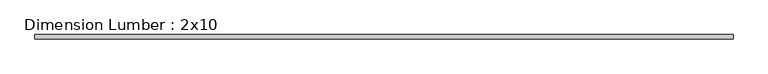
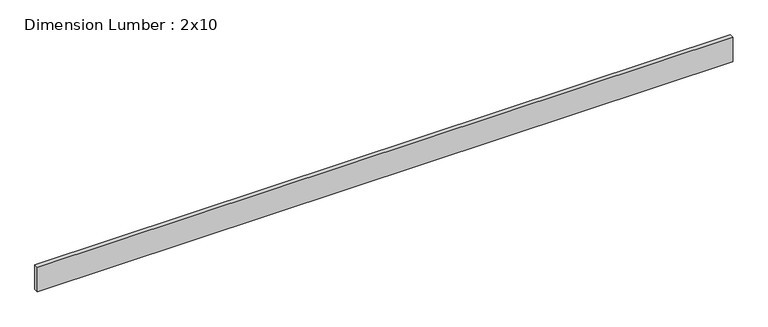
"""IFC4 building model written with IfcOpenShell, lengths in millimetres: beam geometry, Dimension Lumber : 2x10."""

from ifc_helpers import new_model, si_unit, frame, origin, place, context, project, spatial, polyline, outline, extrude, source, transform, mapped, element, save


def dimension_lumber_2x10_b14ff100(model_context):
    return source(origin(), model_context, "Body", "SweptSolid", [
        extrude(outline(polyline([(3159.1946581, 19.05), (3159.1946581, -19.05), (-3159.1946581, -19.05), (-3159.1946581, 19.05), (3159.1946581, 19.05)])), frame((0.0, 0.0, -117.475), z_axis=(0.0, 0.0, 1.0), x_axis=(1.0, 0.0, 0.0)), (0.0, 0.0, 1.0), 234.95),
    ])


if __name__ == "__main__":
    model = new_model("IFC4")
    model_context = context("Model", 3, world=origin())
    ifc_project = project(units=[si_unit("LENGTHUNIT", "METRE", prefix="MILLI")], contexts=[model_context])
    site = spatial("IfcSite", under=ifc_project)
    building = spatial("IfcBuilding", under=site)
    placement = place(None, origin())
    dimension_lumber_2x10_shape = dimension_lumber_2x10_b14ff100(model_context)
    element("IfcBeam", 1, ObjectType="Dimension Lumber : 2x10", at=placement, inside=building, context=model_context, shape_type="MappedRepresentation", body=[
        mapped(dimension_lumber_2x10_shape, transform((0.0, 0.0, 0.0), x_axis=(1.0, 0.0, 0.0), y_axis=(0.0, 1.0, 0.0), z_axis=(0.0, 0.0, 1.0))),
    ])
    save(model, "model.ifc")
